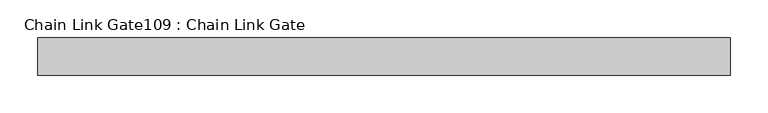
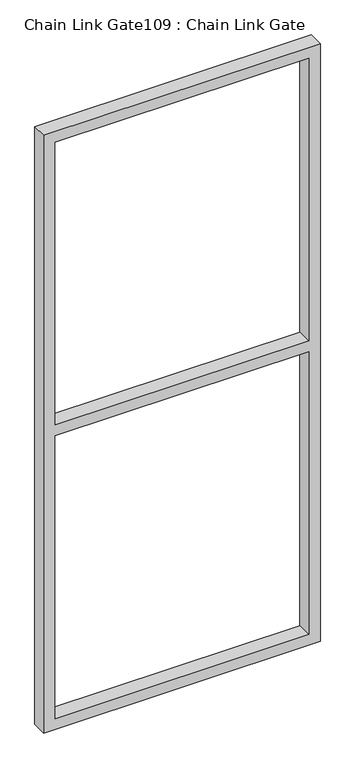
"""IFC4 building model written with IfcOpenShell, lengths in millimetres: proxy geometry, Chain Link Gate109 : Chain Link Gate."""

from ifc_helpers import new_model, si_unit, frame, origin, place, context, project, spatial, polyline, outline, extrude, source, transform, mapped, element, save


def chain_link_gate109_chain_link_gate_25e3b12f(model_context):
    return source(origin(), model_context, "Body", "SweptSolid", [
        extrude(outline(polyline([(2120.9, 16100.788985), (12.7, 16100.788985), (12.7, 17024.713985), (2120.9, 17024.713985), (2120.9, 16100.788985)]), holes=[polyline([(2082.8, 16138.888985), (2082.8, 16986.613985), (1085.85, 16986.613985), (1085.85, 16138.888985), (2082.8, 16138.888985)]), polyline([(1047.75, 16986.613985), (50.8, 16986.613985), (50.8, 16138.888985), (1047.75, 16138.888985), (1047.75, 16986.613985)])]), frame((0.0, 12493.8698088, 0.0), z_axis=(0.0, 1.0, 0.0), x_axis=(0.0, 0.0, 1.0)), (0.0, 0.0, 1.0), 50.1314753),
    ])


if __name__ == "__main__":
    model = new_model("IFC4")
    model_context = context("Model", 3, world=origin())
    ifc_project = project(units=[si_unit("LENGTHUNIT", "METRE", prefix="MILLI")], contexts=[model_context])
    site = spatial("IfcSite", under=ifc_project)
    building = spatial("IfcBuilding", under=site)
    placement = place(None, origin())
    chain_link_gate109_chain_link_gate_shape = chain_link_gate109_chain_link_gate_25e3b12f(model_context)
    element("IfcBuildingElementProxy", 1, Name="Chain Link Gate109 : Chain Link Gate", ObjectType="Chain Link Gate109 : Chain Link Gate", at=placement, inside=building, context=model_context, shape_type="MappedRepresentation", body=[
        mapped(chain_link_gate109_chain_link_gate_shape, transform((0.0, 0.0, 0.0), x_axis=(1.0, 0.0, 0.0), y_axis=(0.0, 1.0, 0.0), z_axis=(0.0, 0.0, 1.0))),
    ])
    save(model, "model.ifc")
